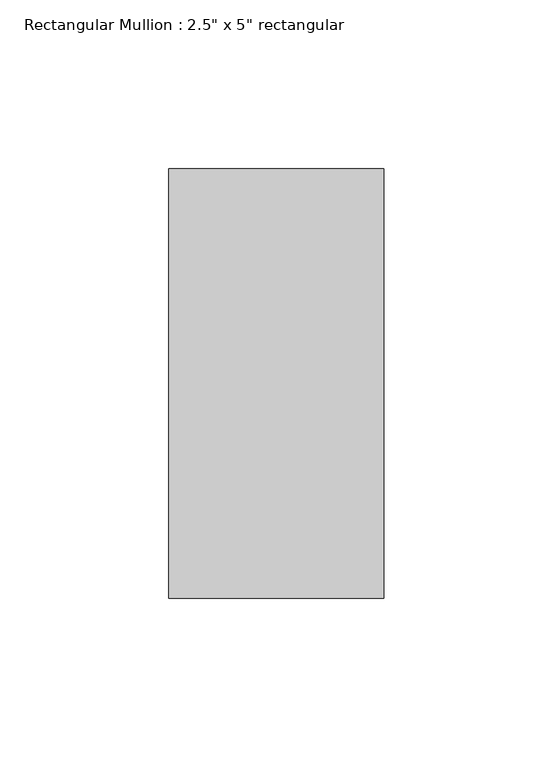
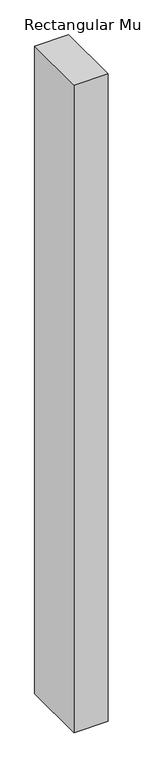
"""IFC4 building model written with IfcOpenShell, lengths in millimetres: member geometry."""

from ifc_helpers import new_model, si_unit, frame, origin, place, context, project, spatial, polyline, outline, extrude, source, transform, mapped, element, save


def member_e66f21e9(model_context):
    return source(origin(), model_context, "Body", "SweptSolid", [
        extrude(outline(polyline([(0.0, 63.5), (0.0, -63.5), (-63.5, -63.5), (-63.5, 63.5), (0.0, 63.5)])), frame((0.0, 0.0, -1279.5545449), z_axis=(0.0, 0.0, 1.0), x_axis=(1.0, 0.0, 0.0)), (0.0, 0.0, 1.0), 1279.5545449),
    ])


if __name__ == "__main__":
    model = new_model("IFC4")
    model_context = context("Model", 3, world=origin())
    ifc_project = project(units=[si_unit("LENGTHUNIT", "METRE", prefix="MILLI")], contexts=[model_context])
    site = spatial("IfcSite", under=ifc_project)
    building = spatial("IfcBuilding", under=site)
    placement = place(None, origin())
    member_shape = member_e66f21e9(model_context)
    element("IfcMember", 1, ObjectType="Rectangular Mullion : 2.5\" x 5\" rectangular", at=placement, inside=building, context=model_context, shape_type="MappedRepresentation", body=[
        mapped(member_shape, transform((0.0, 0.0, 0.0), x_axis=(1.0, 0.0, 0.0), y_axis=(0.0, 1.0, 0.0), z_axis=(0.0, 0.0, 1.0))),
    ])
    save(model, "model.ifc")
